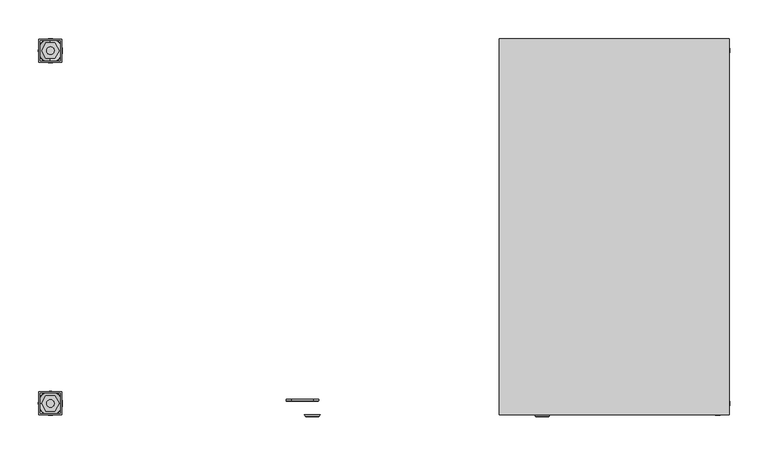
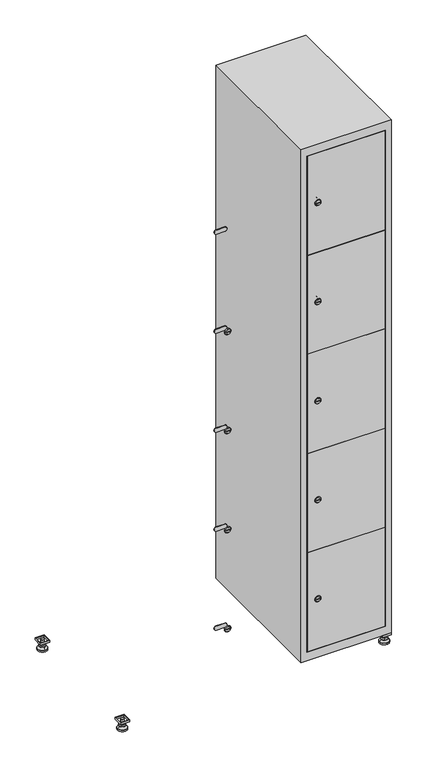
"""IFC4 building model written with IfcOpenShell, lengths in millimetres: furniture geometry."""

from ifc_helpers import new_model, si_unit, point, frame, frame_2d, origin, origin_with_axes, place, context, project, spatial, polyline, circle_curve, trimmed, segment, composite_curve, outline, extrude, faceted_brep, source, transform, mapped, element, save
from ifc_brep_helpers import plane_surface, revolved_surface, advanced_brep


def furniture_e8ccaeee(model_context):
    return source(origin(), model_context, "Body", "SolidModel", [
        extrude(outline(polyline([(700.0, 245.0), (700.0, 215.0), (670.0, 215.0), (670.0, 245.0), (700.0, 245.0)]), holes=[polyline([(698.0, 243.0), (672.0, 243.0), (672.0, 217.0), (698.0, 217.0), (698.0, 243.0)])]), frame((0.0, 0.0, 28.5), z_axis=(0.0, 0.0, 1.0), x_axis=(1.0, 0.0, 0.0)), (0.0, 0.0, 1.0), 6.5),
        extrude(outline(polyline([(670.0, -245.0), (670.0, -215.0), (700.0, -215.0), (700.0, -245.0), (670.0, -245.0)]), holes=[polyline([(672.0, -243.0), (698.0, -243.0), (698.0, -217.0), (672.0, -217.0), (672.0, -243.0)])]), frame((0.0, 0.0, 28.5), z_axis=(0.0, 0.0, 1.0), x_axis=(1.0, 0.0, 0.0)), (0.0, 0.0, 1.0), 6.5),
        extrude(outline(polyline([(-170.0, 245.0), (-170.0, 215.0), (-200.0, 215.0), (-200.0, 245.0), (-170.0, 245.0)]), holes=[polyline([(-172.0, 243.0), (-198.0, 243.0), (-198.0, 217.0), (-172.0, 217.0), (-172.0, 243.0)])]), frame((0.0, 0.0, 28.5), z_axis=(0.0, 0.0, 1.0), x_axis=(1.0, 0.0, 0.0)), (0.0, 0.0, 1.0), 6.5),
        extrude(outline(polyline([(-170.0, -215.0), (-170.0, -245.0), (-200.0, -245.0), (-200.0, -215.0), (-170.0, -215.0)]), holes=[polyline([(-198.0, -243.0), (-172.0, -243.0), (-172.0, -217.0), (-198.0, -217.0), (-198.0, -243.0)])]), frame((0.0, 0.0, 28.5), z_axis=(0.0, 0.0, 1.0), x_axis=(1.0, 0.0, 0.0)), (0.0, 0.0, 1.0), 6.5),
        extrude(outline(composite_curve([segment(trimmed(circle_curve(frame_2d((-185.0, 230.0)), 5.0), [point((-180.0, 230.0))], [point((-190.0, 230.0))], False, "CARTESIAN"), True, "CONTINUOUS"), segment(trimmed(circle_curve(frame_2d((-185.0, 230.0)), 5.0), [point((-190.0, 230.0))], [point((-180.0, 230.0))], False, "CARTESIAN"), True, "CONTINUOUS")], self_intersect=False)), frame((0.0, 0.0, 19.6), z_axis=(0.0, 0.0, 1.0), x_axis=(1.0, 0.0, 0.0)), (0.0, 0.0, 1.0), 15.4),
        extrude(outline(composite_curve([segment(trimmed(circle_curve(frame_2d((-185.0, -230.0)), 5.0), [point((-180.0, -230.0))], [point((-190.0, -230.0))], False, "CARTESIAN"), True, "CONTINUOUS"), segment(trimmed(circle_curve(frame_2d((-185.0, -230.0)), 5.0), [point((-190.0, -230.0))], [point((-180.0, -230.0))], False, "CARTESIAN"), True, "CONTINUOUS")], self_intersect=False)), frame((0.0, 0.0, 19.6), z_axis=(0.0, 0.0, 1.0), x_axis=(1.0, 0.0, 0.0)), (0.0, 0.0, 1.0), 15.4),
        extrude(outline(composite_curve([segment(trimmed(circle_curve(frame_2d((685.0, 230.0)), 5.0), [point((690.0, 230.0))], [point((680.0, 230.0))], False, "CARTESIAN"), True, "CONTINUOUS"), segment(trimmed(circle_curve(frame_2d((685.0, 230.0)), 5.0), [point((680.0, 230.0))], [point((690.0, 230.0))], False, "CARTESIAN"), True, "CONTINUOUS")], self_intersect=False)), frame((0.0, 0.0, 19.6), z_axis=(0.0, 0.0, 1.0), x_axis=(1.0, 0.0, 0.0)), (0.0, 0.0, 1.0), 15.4),
        extrude(outline(polyline([(673.4529946, 230.0), (679.2264973, 240.0), (690.7735027, 240.0), (696.5470054, 230.0), (690.7735027, 220.0), (679.2264973, 220.0), (673.4529946, 230.0)])), frame((0.0, 0.0, 13.6), z_axis=(0.0, 0.0, 1.0), x_axis=(1.0, 0.0, 0.0)), (0.0, 0.0, 1.0), 6.0),
        extrude(outline(composite_curve([segment(trimmed(circle_curve(frame_2d((685.0, -230.0)), 5.0), [point((690.0, -230.0))], [point((680.0, -230.0))], False, "CARTESIAN"), True, "CONTINUOUS"), segment(trimmed(circle_curve(frame_2d((685.0, -230.0)), 5.0), [point((680.0, -230.0))], [point((690.0, -230.0))], False, "CARTESIAN"), True, "CONTINUOUS")], self_intersect=False)), frame((0.0, 0.0, 19.6), z_axis=(0.0, 0.0, 1.0), x_axis=(1.0, 0.0, 0.0)), (0.0, 0.0, 1.0), 15.4),
        extrude(outline(polyline([(673.4529946, -230.0), (679.2264973, -220.0), (690.7735027, -220.0), (696.5470054, -230.0), (690.7735027, -240.0), (679.2264973, -240.0), (673.4529946, -230.0)])), frame((0.0, 0.0, 13.6), z_axis=(0.0, 0.0, 1.0), x_axis=(1.0, 0.0, 0.0)), (0.0, 0.0, 1.0), 6.0),
        extrude(outline(composite_curve([segment(trimmed(circle_curve(frame_2d((685.0, 230.0)), 5.0), [point((690.0, 230.0))], [point((680.0, 230.0))], False, "CARTESIAN"), True, "CONTINUOUS"), segment(trimmed(circle_curve(frame_2d((685.0, 230.0)), 5.0), [point((680.0, 230.0))], [point((690.0, 230.0))], False, "CARTESIAN"), True, "CONTINUOUS")], self_intersect=False)), frame((0.0, 0.0, 12.1), z_axis=(0.0, 0.0, 1.0), x_axis=(1.0, 0.0, 0.0)), (0.0, 0.0, 1.0), 1.5),
        extrude(outline(composite_curve([segment(trimmed(circle_curve(frame_2d((685.0, -230.0)), 5.0), [point((690.0, -230.0))], [point((680.0, -230.0))], False, "CARTESIAN"), True, "CONTINUOUS"), segment(trimmed(circle_curve(frame_2d((685.0, -230.0)), 5.0), [point((680.0, -230.0))], [point((690.0, -230.0))], False, "CARTESIAN"), True, "CONTINUOUS")], self_intersect=False)), frame((0.0, 0.0, 12.1), z_axis=(0.0, 0.0, 1.0), x_axis=(1.0, 0.0, 0.0)), (0.0, 0.0, 1.0), 1.5),
        extrude(outline(polyline([(-196.5470054, 230.0), (-190.7735027, 240.0), (-179.2264973, 240.0), (-173.4529946, 230.0), (-179.2264973, 220.0), (-190.7735027, 220.0), (-196.5470054, 230.0)])), frame((0.0, 0.0, 13.6), z_axis=(0.0, 0.0, 1.0), x_axis=(1.0, 0.0, 0.0)), (0.0, 0.0, 1.0), 6.0),
        extrude(outline(polyline([(-196.5470054, -230.0), (-190.7735027, -220.0), (-179.2264973, -220.0), (-173.4529946, -230.0), (-179.2264973, -240.0), (-190.7735027, -240.0), (-196.5470054, -230.0)])), frame((0.0, 0.0, 13.6), z_axis=(0.0, 0.0, 1.0), x_axis=(1.0, 0.0, 0.0)), (0.0, 0.0, 1.0), 6.0),
        extrude(outline(composite_curve([segment(trimmed(circle_curve(frame_2d((-185.0, 230.0)), 5.0), [point((-185.0, 235.0))], [point((-185.0, 225.0))], False, "CARTESIAN"), True, "CONTINUOUS"), segment(trimmed(circle_curve(frame_2d((-185.0, 230.0)), 5.0), [point((-185.0, 225.0))], [point((-185.0, 235.0))], False, "CARTESIAN"), True, "CONTINUOUS")], self_intersect=False)), frame((0.0, 0.0, 12.1), z_axis=(0.0, 0.0, 1.0), x_axis=(1.0, 0.0, 0.0)), (0.0, 0.0, 1.0), 1.5),
        extrude(outline(composite_curve([segment(trimmed(circle_curve(frame_2d((-185.0, -230.0)), 5.0), [point((-180.0, -230.0))], [point((-190.0, -230.0))], False, "CARTESIAN"), True, "CONTINUOUS"), segment(trimmed(circle_curve(frame_2d((-185.0, -230.0)), 5.0), [point((-190.0, -230.0))], [point((-180.0, -230.0))], False, "CARTESIAN"), True, "CONTINUOUS")], self_intersect=False)), frame((0.0, 0.0, 12.1), z_axis=(0.0, 0.0, 1.0), x_axis=(1.0, 0.0, 0.0)), (0.0, 0.0, 1.0), 1.5),
        extrude(outline(composite_curve([segment(trimmed(circle_curve(frame_2d((685.0, 230.0)), 15.75), [point((700.75, 230.0))], [point((669.25, 230.0))], False, "CARTESIAN"), True, "CONTINUOUS"), segment(trimmed(circle_curve(frame_2d((685.0, 230.0)), 15.75), [point((669.25, 230.0))], [point((700.75, 230.0))], False, "CARTESIAN"), True, "CONTINUOUS")], self_intersect=False)), origin_with_axes(), (0.0, 0.0, 1.0), 5.1),
        extrude(outline(composite_curve([segment(trimmed(circle_curve(frame_2d((685.0, -230.0)), 15.75), [point((685.0, -214.25))], [point((685.0, -245.75))], False, "CARTESIAN"), True, "CONTINUOUS"), segment(trimmed(circle_curve(frame_2d((685.0, -230.0)), 15.75), [point((685.0, -245.75))], [point((685.0, -214.25))], False, "CARTESIAN"), True, "CONTINUOUS")], self_intersect=False)), origin_with_axes(), (0.0, 0.0, 1.0), 5.1),
        extrude(outline(composite_curve([segment(trimmed(circle_curve(frame_2d((-185.0, -230.0)), 15.75), [point((-169.25, -230.0))], [point((-200.75, -230.0))], False, "CARTESIAN"), True, "CONTINUOUS"), segment(trimmed(circle_curve(frame_2d((-185.0, -230.0)), 15.75), [point((-200.75, -230.0))], [point((-169.25, -230.0))], False, "CARTESIAN"), True, "CONTINUOUS")], self_intersect=False)), origin_with_axes(), (0.0, 0.0, 1.0), 5.1),
        extrude(outline(composite_curve([segment(trimmed(circle_curve(frame_2d((-185.0, 230.0)), 15.75), [point((-169.25, 230.0))], [point((-200.75, 230.0))], False, "CARTESIAN"), True, "CONTINUOUS"), segment(trimmed(circle_curve(frame_2d((-185.0, 230.0)), 15.75), [point((-200.75, 230.0))], [point((-169.25, 230.0))], False, "CARTESIAN"), True, "CONTINUOUS")], self_intersect=False)), origin_with_axes(), (0.0, 0.0, 1.0), 5.1),
        advanced_brep(
        [(-185.0, 245.75, 5.1), (-185.0, 214.25, 5.1), (-185.0, 239.5, 12.1), (-185.0, 220.5, 12.1)],
        [
            (0, 1, circle_curve(frame((-185.0, 230.0, 5.1), z_axis=(0.0, 0.0, -1.0), x_axis=(0.0, 1.0, 0.0)), 15.75)),
            (1, 0, circle_curve(frame((-185.0, 230.0, 5.1), z_axis=(0.0, 0.0, -1.0), x_axis=(0.0, -1.0, 0.0)), 15.75)),
            (2, 3, circle_curve(frame((-185.0, 230.0, 12.1), z_axis=(0.0, 0.0, 1.0), x_axis=(0.0, -1.0, 0.0)), 9.5)),
            (3, 2, circle_curve(frame((-185.0, 230.0, 12.1), z_axis=(0.0, 0.0, 1.0), x_axis=(0.0, 1.0, 0.0)), 9.5)),
            (3, 1),
            (0, 2),
        ],
        [
            plane_surface(frame((-185.0, 230.0, 5.1), z_axis=(0.0, 0.0, -1.0), x_axis=(1.0, 0.0, 0.0))),
            plane_surface(frame((-185.0, 230.0, 12.1), z_axis=(0.0, 0.0, 1.0), x_axis=(1.0, 0.0, 0.0))),
            revolved_surface(polyline([(-185.0, 220.5, 12.099999999999998), (-185.0, 214.25, 5.099999999999998)]), (-185.0, 230.0, 22.74), (0.0, 0.0, -1.0)),
            revolved_surface(polyline([(-185.0, 239.5, 12.099999999999998), (-185.0, 245.75, 5.099999999999998)]), (-185.0, 230.0, 22.74), (0.0, 0.0, -1.0)),
        ],
        [
            (0, [[1, 2]]),
            (1, [[3, 4]]),
            (2, [[-4, 5, -1, 6]]),
            (3, [[-3, -6, -2, -5]]),
        ],
    ),
        advanced_brep(
        [(685.0, 245.75, 5.1), (685.0, 214.25, 5.1), (685.0, 239.5, 12.1), (685.0, 220.5, 12.1)],
        [
            (0, 1, circle_curve(frame((685.0, 230.0, 5.1), z_axis=(0.0, 0.0, -1.0), x_axis=(0.0, 1.0, 0.0)), 15.75)),
            (1, 0, circle_curve(frame((685.0, 230.0, 5.1), z_axis=(0.0, 0.0, -1.0), x_axis=(0.0, -1.0, 0.0)), 15.75)),
            (2, 3, circle_curve(frame((685.0, 230.0, 12.1), z_axis=(0.0, 0.0, 1.0), x_axis=(0.0, -1.0, 0.0)), 9.5)),
            (3, 2, circle_curve(frame((685.0, 230.0, 12.1), z_axis=(0.0, 0.0, 1.0), x_axis=(0.0, 1.0, 0.0)), 9.5)),
            (3, 1),
            (0, 2),
        ],
        [
            plane_surface(frame((685.0, 230.0, 5.1), z_axis=(0.0, 0.0, -1.0), x_axis=(1.0, 0.0, 0.0))),
            plane_surface(frame((685.0, 230.0, 12.1), z_axis=(0.0, 0.0, 1.0), x_axis=(1.0, 0.0, 0.0))),
            revolved_surface(polyline([(685.0, 220.5, 12.099999999999998), (685.0, 214.25, 5.099999999999998)]), (685.0, 230.0, 22.74), (0.0, 0.0, -1.0)),
            revolved_surface(polyline([(685.0, 239.5, 12.099999999999998), (685.0, 245.75, 5.099999999999998)]), (685.0, 230.0, 22.74), (0.0, 0.0, -1.0)),
        ],
        [
            (0, [[1, 2]]),
            (1, [[3, 4]]),
            (2, [[-4, 5, -1, 6]]),
            (3, [[-3, -6, -2, -5]]),
        ],
    ),
        advanced_brep(
        [(694.5, -230.0, 12.1), (675.5, -230.0, 12.1), (700.75, -230.0, 5.1), (669.25, -230.0, 5.1)],
        [
            (0, 1, circle_curve(frame((685.0, -230.0, 12.1), z_axis=(0.0, 0.0, 1.0), x_axis=(1.0, 0.0, 0.0)), 9.5)),
            (1, 0, circle_curve(frame((685.0, -230.0, 12.1), z_axis=(0.0, 0.0, 1.0), x_axis=(-1.0, 0.0, 0.0)), 9.5)),
            (2, 3, circle_curve(frame((685.0, -230.0, 5.1), z_axis=(0.0, 0.0, -1.0), x_axis=(-1.0, 0.0, 0.0)), 15.75)),
            (3, 2, circle_curve(frame((685.0, -230.0, 5.1), z_axis=(0.0, 0.0, -1.0), x_axis=(1.0, 0.0, 0.0)), 15.75)),
            (3, 1),
            (0, 2),
        ],
        [
            plane_surface(frame((685.0, -230.0, 12.1), z_axis=(0.0, 0.0, 1.0), x_axis=(0.0, 1.0, 0.0))),
            plane_surface(frame((685.0, -230.0, 5.1), z_axis=(0.0, 0.0, -1.0), x_axis=(0.0, 1.0, 0.0))),
            revolved_surface(polyline([(694.5, -230.0, 12.099999999999998), (700.75, -230.0, 5.099999999999998)]), (685.0, -230.0, 22.74), (0.0, 0.0, -1.0)),
            revolved_surface(polyline([(675.5, -230.0, 12.099999999999998), (669.25, -230.0, 5.099999999999998)]), (685.0, -230.0, 22.74), (0.0, 0.0, -1.0)),
        ],
        [
            (0, [[1, 2]]),
            (1, [[3, 4]]),
            (2, [[-4, 5, -1, 6]]),
            (3, [[-3, -6, -2, -5]]),
        ],
    ),
        advanced_brep(
        [(-175.5, -230.0, 12.1), (-194.5, -230.0, 12.1), (-169.25, -230.0, 5.1), (-200.75, -230.0, 5.1)],
        [
            (0, 1, circle_curve(frame((-185.0, -230.0, 12.1), z_axis=(0.0, 0.0, 1.0), x_axis=(1.0, 0.0, 0.0)), 9.5)),
            (1, 0, circle_curve(frame((-185.0, -230.0, 12.1), z_axis=(0.0, 0.0, 1.0), x_axis=(-1.0, 0.0, 0.0)), 9.5)),
            (2, 3, circle_curve(frame((-185.0, -230.0, 5.1), z_axis=(0.0, 0.0, -1.0), x_axis=(-1.0, 0.0, 0.0)), 15.75)),
            (3, 2, circle_curve(frame((-185.0, -230.0, 5.1), z_axis=(0.0, 0.0, -1.0), x_axis=(1.0, 0.0, 0.0)), 15.75)),
            (3, 1),
            (0, 2),
        ],
        [
            plane_surface(frame((-185.0, -230.0, 12.1), z_axis=(0.0, 0.0, 1.0), x_axis=(0.0, 1.0, 0.0))),
            plane_surface(frame((-185.0, -230.0, 5.1), z_axis=(0.0, 0.0, -1.0), x_axis=(0.0, 1.0, 0.0))),
            revolved_surface(polyline([(-175.5, -230.0, 12.099999999999998), (-169.25, -230.0, 5.099999999999998)]), (-185.0, -230.0, 22.74), (0.0, 0.0, -1.0)),
            revolved_surface(polyline([(-194.5, -230.0, 12.099999999999998), (-200.75, -230.0, 5.099999999999998)]), (-185.0, -230.0, 22.74), (0.0, 0.0, -1.0)),
        ],
        [
            (0, [[1, 2]]),
            (1, [[3, 4]]),
            (2, [[-4, 5, -1, 6]]),
            (3, [[-3, -6, -2, -5]]),
        ],
    ),
        extrude(outline(composite_curve([segment(trimmed(circle_curve(frame_2d((239.96, 429.6010534)), 7.0), [point((246.96, 429.6010534))], [point((232.96, 429.6010534))], False, "CARTESIAN"), True, "CONTINUOUS"), segment(polyline([(232.96, 429.6010534), (232.96, 457.6010534)]), True, "CONTINUOUS"), segment(trimmed(circle_curve(frame_2d((239.96, 457.6010534)), 7.0), [point((232.96, 457.6010534))], [point((246.96, 457.6010534))], False, "CARTESIAN"), True, "CONTINUOUS"), segment(polyline([(246.96, 457.6010534), (246.96, 429.6010534)]), True, "CONTINUOUS")], self_intersect=False)), frame((0.0, -227.0, 0.0), z_axis=(0.0, 1.0, 0.0), x_axis=(0.0, 0.0, 1.0)), (0.0, 0.0, 1.0), 2.0),
        advanced_brep(
        [(464.9, -247.2, 239.96), (447.9, -247.2, 239.96), (451.4, -247.2, 238.71), (451.4, -247.2, 241.21), (461.4, -247.2, 241.21), (461.4, -247.2, 238.71), (466.9, -245.0, 239.96), (445.9, -245.0, 239.96), (451.4, -245.0, 241.21), (451.4, -245.0, 238.71), (461.4, -245.0, 238.71), (461.4, -245.0, 241.21)],
        [
            (0, 1, circle_curve(frame((456.4, -247.2, 239.96), z_axis=(0.0, -1.0, 0.0), x_axis=(1.0, 0.0, 0.0)), 8.5)),
            (1, 0, circle_curve(frame((456.4, -247.2, 239.96), z_axis=(0.0, -1.0, 0.0), x_axis=(-1.0, 0.0, 0.0)), 8.5)),
            (2, 3),
            (3, 4),
            (4, 5),
            (5, 2),
            (6, 7, circle_curve(frame((456.4, -245.0, 239.96), z_axis=(0.0, 1.0, 0.0), x_axis=(-1.0, 0.0, 0.0)), 10.5)),
            (7, 6, circle_curve(frame((456.4, -245.0, 239.96), z_axis=(0.0, 1.0, 0.0), x_axis=(1.0, 0.0, 0.0)), 10.5)),
            (8, 9),
            (9, 10),
            (10, 11),
            (11, 8),
            (0, 6),
            (7, 1),
            (8, 3),
            (2, 9),
            (11, 4),
            (10, 5),
        ],
        [
            plane_surface(frame((456.4, -247.2, 239.96), z_axis=(0.0, -1.0, 0.0), x_axis=(0.0, 0.0, 1.0))),
            plane_surface(frame((456.4, -245.0, 239.96), z_axis=(0.0, 1.0, 0.0), x_axis=(0.0, 0.0, 1.0))),
            revolved_surface(polyline([(464.9, -247.2, 239.96), (466.9, -245.0, 239.96)]), (456.4, -256.55, 239.96), (0.0, 1.0, 0.0)),
            revolved_surface(polyline([(447.9, -247.2, 239.96), (445.9, -245.0, 239.96)]), (456.4, -256.55, 239.96), (0.0, 1.0, 0.0)),
            plane_surface(frame((451.4, -245.0, 238.71), z_axis=(1.0, 0.0, 0.0), x_axis=(0.0, -1.0, 0.0))),
            plane_surface(frame((451.4, -245.0, 241.21), z_axis=(0.0, 0.0, -1.0), x_axis=(0.0, -1.0, 0.0))),
            plane_surface(frame((461.4, -245.0, 241.21), z_axis=(-1.0, 0.0, 0.0), x_axis=(0.0, -1.0, 0.0))),
            plane_surface(frame((461.4, -245.0, 238.71), z_axis=(0.0, 0.0, 1.0), x_axis=(0.0, -1.0, 0.0))),
        ],
        [
            (0, [[1, 2], [3, 4, 5, 6]]),
            (1, [[7, 8], [9, 10, 11, 12]]),
            (2, [[-1, 13, -8, 14]]),
            (3, [[-2, -14, -7, -13]]),
            (4, [[15, -3, 16, -9]]),
            (5, [[-15, -12, 17, -4]]),
            (6, [[-17, -11, 18, -5]]),
            (7, [[-16, -6, -18, -10]]),
        ],
    ),
        extrude(outline(composite_curve([segment(trimmed(circle_curve(frame_2d((587.48, 429.6010534)), 7.0), [point((594.48, 429.6010534))], [point((580.48, 429.6010534))], False, "CARTESIAN"), True, "CONTINUOUS"), segment(polyline([(580.48, 429.6010534), (580.48, 457.6010534)]), True, "CONTINUOUS"), segment(trimmed(circle_curve(frame_2d((587.48, 457.6010534)), 7.0), [point((580.48, 457.6010534))], [point((594.48, 457.6010534))], False, "CARTESIAN"), True, "CONTINUOUS"), segment(polyline([(594.48, 457.6010534), (594.48, 429.6010534)]), True, "CONTINUOUS")], self_intersect=False)), frame((0.0, -227.0, 0.0), z_axis=(0.0, 1.0, 0.0), x_axis=(0.0, 0.0, 1.0)), (0.0, 0.0, 1.0), 2.0),
        advanced_brep(
        [(464.9, -247.2, 587.48), (447.9, -247.2, 587.48), (451.4, -247.2, 586.23), (451.4, -247.2, 588.73), (461.4, -247.2, 588.73), (461.4, -247.2, 586.23), (466.9, -245.0, 587.48), (445.9, -245.0, 587.48), (451.4, -245.0, 588.73), (451.4, -245.0, 586.23), (461.4, -245.0, 586.23), (461.4, -245.0, 588.73)],
        [
            (0, 1, circle_curve(frame((456.4, -247.2, 587.48), z_axis=(0.0, -1.0, 0.0), x_axis=(1.0, 0.0, 0.0)), 8.5)),
            (1, 0, circle_curve(frame((456.4, -247.2, 587.48), z_axis=(0.0, -1.0, 0.0), x_axis=(-1.0, 0.0, 0.0)), 8.5)),
            (2, 3),
            (3, 4),
            (4, 5),
            (5, 2),
            (6, 7, circle_curve(frame((456.4, -245.0, 587.48), z_axis=(0.0, 1.0, 0.0), x_axis=(-1.0, 0.0, 0.0)), 10.5)),
            (7, 6, circle_curve(frame((456.4, -245.0, 587.48), z_axis=(0.0, 1.0, 0.0), x_axis=(1.0, 0.0, 0.0)), 10.5)),
            (8, 9),
            (9, 10),
            (10, 11),
            (11, 8),
            (0, 6),
            (7, 1),
            (8, 3),
            (2, 9),
            (11, 4),
            (10, 5),
        ],
        [
            plane_surface(frame((456.4, -247.2, 587.48), z_axis=(0.0, -1.0, 0.0), x_axis=(0.0, 0.0, 1.0))),
            plane_surface(frame((456.4, -245.0, 587.48), z_axis=(0.0, 1.0, 0.0), x_axis=(0.0, 0.0, 1.0))),
            revolved_surface(polyline([(464.9, -247.2, 587.48), (466.9, -245.0, 587.48)]), (456.4, -256.55, 587.48), (0.0, 1.0, 0.0)),
            revolved_surface(polyline([(447.9, -247.2, 587.48), (445.9, -245.0, 587.48)]), (456.4, -256.55, 587.48), (0.0, 1.0, 0.0)),
            plane_surface(frame((451.4, -245.0, 586.23), z_axis=(1.0, 0.0, 0.0), x_axis=(0.0, -1.0, 0.0))),
            plane_surface(frame((451.4, -245.0, 588.73), z_axis=(0.0, 0.0, -1.0), x_axis=(0.0, -1.0, 0.0))),
            plane_surface(frame((461.4, -245.0, 588.73), z_axis=(-1.0, 0.0, 0.0), x_axis=(0.0, -1.0, 0.0))),
            plane_surface(frame((461.4, -245.0, 586.23), z_axis=(0.0, 0.0, 1.0), x_axis=(0.0, -1.0, 0.0))),
        ],
        [
            (0, [[1, 2], [3, 4, 5, 6]]),
            (1, [[7, 8], [9, 10, 11, 12]]),
            (2, [[-1, 13, -8, 14]]),
            (3, [[-2, -14, -7, -13]]),
            (4, [[15, -3, 16, -9]]),
            (5, [[-15, -12, 17, -4]]),
            (6, [[-17, -11, 18, -5]]),
            (7, [[-16, -6, -18, -10]]),
        ],
    ),
        extrude(outline(composite_curve([segment(trimmed(circle_curve(frame_2d((935.0, 429.6010534)), 7.0), [point((942.0, 429.6010534))], [point((928.0, 429.6010534))], False, "CARTESIAN"), True, "CONTINUOUS"), segment(polyline([(928.0, 429.6010534), (928.0, 457.6010534)]), True, "CONTINUOUS"), segment(trimmed(circle_curve(frame_2d((935.0, 457.6010534)), 7.0), [point((928.0, 457.6010534))], [point((942.0, 457.6010534))], False, "CARTESIAN"), True, "CONTINUOUS"), segment(polyline([(942.0, 457.6010534), (942.0, 429.6010534)]), True, "CONTINUOUS")], self_intersect=False)), frame((0.0, -227.0, 0.0), z_axis=(0.0, 1.0, 0.0), x_axis=(0.0, 0.0, 1.0)), (0.0, 0.0, 1.0), 2.0),
        advanced_brep(
        [(464.9, -247.2, 935.0), (447.9, -247.2, 935.0), (451.4, -247.2, 933.75), (451.4, -247.2, 936.25), (461.4, -247.2, 936.25), (461.4, -247.2, 933.75), (466.9, -245.0, 935.0), (445.9, -245.0, 935.0), (451.4, -245.0, 936.25), (451.4, -245.0, 933.75), (461.4, -245.0, 933.75), (461.4, -245.0, 936.25)],
        [
            (0, 1, circle_curve(frame((456.4, -247.2, 935.0), z_axis=(0.0, -1.0, 0.0), x_axis=(1.0, 0.0, 0.0)), 8.5)),
            (1, 0, circle_curve(frame((456.4, -247.2, 935.0), z_axis=(0.0, -1.0, 0.0), x_axis=(-1.0, 0.0, 0.0)), 8.5)),
            (2, 3),
            (3, 4),
            (4, 5),
            (5, 2),
            (6, 7, circle_curve(frame((456.4, -245.0, 935.0), z_axis=(0.0, 1.0, 0.0), x_axis=(-1.0, 0.0, 0.0)), 10.5)),
            (7, 6, circle_curve(frame((456.4, -245.0, 935.0), z_axis=(0.0, 1.0, 0.0), x_axis=(1.0, 0.0, 0.0)), 10.5)),
            (8, 9),
            (9, 10),
            (10, 11),
            (11, 8),
            (0, 6),
            (7, 1),
            (8, 3),
            (2, 9),
            (11, 4),
            (10, 5),
        ],
        [
            plane_surface(frame((456.4, -247.2, 935.0), z_axis=(0.0, -1.0, 0.0), x_axis=(0.0, 0.0, 1.0))),
            plane_surface(frame((456.4, -245.0, 935.0), z_axis=(0.0, 1.0, 0.0), x_axis=(0.0, 0.0, 1.0))),
            revolved_surface(polyline([(464.9, -247.2, 935.0), (466.9, -245.0, 935.0)]), (456.4, -256.55, 935.0), (0.0, 1.0, 0.0)),
            revolved_surface(polyline([(447.9, -247.2, 935.0), (445.9, -245.0, 935.0)]), (456.4, -256.55, 935.0), (0.0, 1.0, 0.0)),
            plane_surface(frame((451.4, -245.0, 933.75), z_axis=(1.0, 0.0, 0.0), x_axis=(0.0, -1.0, 0.0))),
            plane_surface(frame((451.4, -245.0, 936.25), z_axis=(0.0, 0.0, -1.0), x_axis=(0.0, -1.0, 0.0))),
            plane_surface(frame((461.4, -245.0, 936.25), z_axis=(-1.0, 0.0, 0.0), x_axis=(0.0, -1.0, 0.0))),
            plane_surface(frame((461.4, -245.0, 933.75), z_axis=(0.0, 0.0, 1.0), x_axis=(0.0, -1.0, 0.0))),
        ],
        [
            (0, [[1, 2], [3, 4, 5, 6]]),
            (1, [[7, 8], [9, 10, 11, 12]]),
            (2, [[-1, 13, -8, 14]]),
            (3, [[-2, -14, -7, -13]]),
            (4, [[15, -3, 16, -9]]),
            (5, [[-15, -12, 17, -4]]),
            (6, [[-17, -11, 18, -5]]),
            (7, [[-16, -6, -18, -10]]),
        ],
    ),
        extrude(outline(composite_curve([segment(trimmed(circle_curve(frame_2d((1282.52, 429.6010534)), 7.0), [point((1289.52, 429.6010534))], [point((1275.52, 429.6010534))], False, "CARTESIAN"), True, "CONTINUOUS"), segment(polyline([(1275.52, 429.6010534), (1275.52, 457.6010534)]), True, "CONTINUOUS"), segment(trimmed(circle_curve(frame_2d((1282.52, 457.6010534)), 7.0), [point((1275.52, 457.6010534))], [point((1289.52, 457.6010534))], False, "CARTESIAN"), True, "CONTINUOUS"), segment(polyline([(1289.52, 457.6010534), (1289.52, 429.6010534)]), True, "CONTINUOUS")], self_intersect=False)), frame((0.0, -227.0, 0.0), z_axis=(0.0, 1.0, 0.0), x_axis=(0.0, 0.0, 1.0)), (0.0, 0.0, 1.0), 2.0),
        advanced_brep(
        [(464.9, -247.2, 1282.52), (447.9, -247.2, 1282.52), (451.4, -247.2, 1281.27), (451.4, -247.2, 1283.77), (461.4, -247.2, 1283.77), (461.4, -247.2, 1281.27), (466.9, -245.0, 1282.52), (445.9, -245.0, 1282.52), (451.4, -245.0, 1283.77), (451.4, -245.0, 1281.27), (461.4, -245.0, 1281.27), (461.4, -245.0, 1283.77)],
        [
            (0, 1, circle_curve(frame((456.4, -247.2, 1282.52), z_axis=(0.0, -1.0, 0.0), x_axis=(1.0, 0.0, 0.0)), 8.5)),
            (1, 0, circle_curve(frame((456.4, -247.2, 1282.52), z_axis=(0.0, -1.0, 0.0), x_axis=(-1.0, 0.0, 0.0)), 8.5)),
            (2, 3),
            (3, 4),
            (4, 5),
            (5, 2),
            (6, 7, circle_curve(frame((456.4, -245.0, 1282.52), z_axis=(0.0, 1.0, 0.0), x_axis=(-1.0, 0.0, 0.0)), 10.5)),
            (7, 6, circle_curve(frame((456.4, -245.0, 1282.52), z_axis=(0.0, 1.0, 0.0), x_axis=(1.0, 0.0, 0.0)), 10.5)),
            (8, 9),
            (9, 10),
            (10, 11),
            (11, 8),
            (0, 6),
            (7, 1),
            (8, 3),
            (2, 9),
            (11, 4),
            (10, 5),
        ],
        [
            plane_surface(frame((456.4, -247.2, 1282.52), z_axis=(0.0, -1.0, 0.0), x_axis=(0.0, 0.0, 1.0))),
            plane_surface(frame((456.4, -245.0, 1282.52), z_axis=(0.0, 1.0, 0.0), x_axis=(0.0, 0.0, 1.0))),
            revolved_surface(polyline([(464.9, -247.2, 1282.52), (466.9, -245.0, 1282.52)]), (456.4, -256.55, 1282.52), (0.0, 1.0, 0.0)),
            revolved_surface(polyline([(447.9, -247.2, 1282.52), (445.9, -245.0, 1282.52)]), (456.4, -256.55, 1282.52), (0.0, 1.0, 0.0)),
            plane_surface(frame((451.4, -245.0, 1281.27), z_axis=(1.0, 0.0, 0.0), x_axis=(0.0, -1.0, 0.0))),
            plane_surface(frame((451.4, -245.0, 1283.77), z_axis=(0.0, 0.0, -1.0), x_axis=(0.0, -1.0, 0.0))),
            plane_surface(frame((461.4, -245.0, 1283.77), z_axis=(-1.0, 0.0, 0.0), x_axis=(0.0, -1.0, 0.0))),
            plane_surface(frame((461.4, -245.0, 1281.27), z_axis=(0.0, 0.0, 1.0), x_axis=(0.0, -1.0, 0.0))),
        ],
        [
            (0, [[1, 2], [3, 4, 5, 6]]),
            (1, [[7, 8], [9, 10, 11, 12]]),
            (2, [[-1, 13, -8, 14]]),
            (3, [[-2, -14, -7, -13]]),
            (4, [[15, -3, 16, -9]]),
            (5, [[-15, -12, 17, -4]]),
            (6, [[-17, -11, 18, -5]]),
            (7, [[-16, -6, -18, -10]]),
        ],
    ),
        extrude(outline(composite_curve([segment(trimmed(circle_curve(frame_2d((1630.04, 429.6010534)), 7.0), [point((1637.04, 429.6010534))], [point((1623.04, 429.6010534))], False, "CARTESIAN"), True, "CONTINUOUS"), segment(polyline([(1623.04, 429.6010534), (1623.04, 457.6010534)]), True, "CONTINUOUS"), segment(trimmed(circle_curve(frame_2d((1630.04, 457.6010534)), 7.0), [point((1623.04, 457.6010534))], [point((1637.04, 457.6010534))], False, "CARTESIAN"), True, "CONTINUOUS"), segment(polyline([(1637.04, 457.6010534), (1637.04, 429.6010534)]), True, "CONTINUOUS")], self_intersect=False)), frame((0.0, -227.0, 0.0), z_axis=(0.0, 1.0, 0.0), x_axis=(0.0, 0.0, 1.0)), (0.0, 0.0, 1.0), 2.0),
        advanced_brep(
        [(464.9, -247.2, 1630.04), (447.9, -247.2, 1630.04), (451.4, -247.2, 1628.79), (451.4, -247.2, 1631.29), (461.4, -247.2, 1631.29), (461.4, -247.2, 1628.79), (466.9, -245.0, 1630.04), (445.9, -245.0, 1630.04), (451.4, -245.0, 1631.29), (451.4, -245.0, 1628.79), (461.4, -245.0, 1628.79), (461.4, -245.0, 1631.29)],
        [
            (0, 1, circle_curve(frame((456.4, -247.2, 1630.04), z_axis=(0.0, -1.0, 0.0), x_axis=(1.0, 0.0, 0.0)), 8.5)),
            (1, 0, circle_curve(frame((456.4, -247.2, 1630.04), z_axis=(0.0, -1.0, 0.0), x_axis=(-1.0, 0.0, 0.0)), 8.5)),
            (2, 3),
            (3, 4),
            (4, 5),
            (5, 2),
            (6, 7, circle_curve(frame((456.4, -245.0, 1630.04), z_axis=(0.0, 1.0, 0.0), x_axis=(-1.0, 0.0, 0.0)), 10.5)),
            (7, 6, circle_curve(frame((456.4, -245.0, 1630.04), z_axis=(0.0, 1.0, 0.0), x_axis=(1.0, 0.0, 0.0)), 10.5)),
            (8, 9),
            (9, 10),
            (10, 11),
            (11, 8),
            (0, 6),
            (7, 1),
            (8, 3),
            (2, 9),
            (11, 4),
            (10, 5),
        ],
        [
            plane_surface(frame((456.4, -247.2, 1630.04), z_axis=(0.0, -1.0, 0.0), x_axis=(0.0, 0.0, 1.0))),
            plane_surface(frame((456.4, -245.0, 1630.04), z_axis=(0.0, 1.0, 0.0), x_axis=(0.0, 0.0, 1.0))),
            revolved_surface(polyline([(464.9, -247.2, 1630.04), (466.9, -245.0, 1630.04)]), (456.4, -256.55, 1630.04), (0.0, 1.0, 0.0)),
            revolved_surface(polyline([(447.9, -247.2, 1630.04), (445.9, -245.0, 1630.04)]), (456.4, -256.55, 1630.04), (0.0, 1.0, 0.0)),
            plane_surface(frame((451.4, -245.0, 1628.79), z_axis=(1.0, 0.0, 0.0), x_axis=(0.0, -1.0, 0.0))),
            plane_surface(frame((451.4, -245.0, 1631.29), z_axis=(0.0, 0.0, -1.0), x_axis=(0.0, -1.0, 0.0))),
            plane_surface(frame((461.4, -245.0, 1631.29), z_axis=(-1.0, 0.0, 0.0), x_axis=(0.0, -1.0, 0.0))),
            plane_surface(frame((461.4, -245.0, 1628.79), z_axis=(0.0, 0.0, 1.0), x_axis=(0.0, -1.0, 0.0))),
        ],
        [
            (0, [[1, 2], [3, 4, 5, 6]]),
            (1, [[7, 8], [9, 10, 11, 12]]),
            (2, [[-1, 13, -8, 14]]),
            (3, [[-2, -14, -7, -13]]),
            (4, [[15, -3, 16, -9]]),
            (5, [[-15, -12, 17, -4]]),
            (6, [[-17, -11, 18, -5]]),
            (7, [[-16, -6, -18, -10]]),
        ],
    ),
        extrude(outline(polyline([(678.6, -227.0), (678.6, -245.0), (421.4, -245.0), (421.4, -227.0), (678.6, -227.0)])), frame((0.0, 0.0, 760.74), z_axis=(0.0, 0.0, 1.0), x_axis=(1.0, 0.0, 0.0)), (0.0, 0.0, 1.0), 348.52),
        extrude(outline(polyline([(678.6, -227.0), (678.6, -245.0), (421.4, -245.0), (421.4, -227.0), (678.6, -227.0)])), frame((0.0, 0.0, 413.22), z_axis=(0.0, 0.0, 1.0), x_axis=(1.0, 0.0, 0.0)), (0.0, 0.0, 1.0), 348.52),
        extrude(outline(polyline([(678.6, -227.0), (678.6, -245.0), (421.4, -245.0), (421.4, -227.0), (678.6, -227.0)])), frame((0.0, 0.0, 1108.26), z_axis=(0.0, 0.0, 1.0), x_axis=(1.0, 0.0, 0.0)), (0.0, 0.0, 1.0), 347.52),
        extrude(outline(polyline([(421.4, -245.0), (421.4, -227.0), (678.6, -227.0), (678.6, -245.0), (421.4, -245.0)])), frame((0.0, 0.0, 1456.78), z_axis=(0.0, 0.0, 1.0), x_axis=(1.0, 0.0, 0.0)), (0.0, 0.0, 1.0), 347.02),
        extrude(outline(polyline([(678.6, -227.0), (678.6, -245.0), (421.4, -245.0), (421.4, -227.0), (678.6, -227.0)])), frame((0.0, 0.0, 66.2), z_axis=(0.0, 0.0, 1.0), x_axis=(1.0, 0.0, 0.0)), (0.0, 0.0, 1.0), 348.02),
        extrude(outline(polyline([(679.6, 242.0), (679.6, -227.0), (420.4, -227.0), (420.4, 242.0), (679.6, 242.0)])), frame((0.0, 0.0, 1446.68), z_axis=(0.0, 0.0, 1.0), x_axis=(1.0, 0.0, 0.0)), (0.0, 0.0, 1.0), 20.4),
        extrude(outline(polyline([(679.6, 242.0), (679.6, -227.0), (420.4, -227.0), (420.4, 242.0), (679.6, 242.0)])), frame((0.0, 0.0, 1098.76), z_axis=(0.0, 0.0, 1.0), x_axis=(1.0, 0.0, 0.0)), (0.0, 0.0, 1.0), 20.4),
        extrude(outline(polyline([(679.6, 242.0), (679.6, -227.0), (420.4, -227.0), (420.4, 242.0), (679.6, 242.0)])), frame((0.0, 0.0, 750.84), z_axis=(0.0, 0.0, 1.0), x_axis=(1.0, 0.0, 0.0)), (0.0, 0.0, 1.0), 20.4),
        extrude(outline(polyline([(420.4, 242.0), (679.6, 242.0), (679.6, -227.0), (420.4, -227.0), (420.4, 242.0)])), frame((0.0, 0.0, 402.92), z_axis=(0.0, 0.0, 1.0), x_axis=(1.0, 0.0, 0.0)), (0.0, 0.0, 1.0), 20.4),
        faceted_brep([(700.0, -245.0, 35.0), (700.0, -245.0, 1835.0), (400.0, -245.0, 1835.0), (400.0, -245.0, 35.0), (679.6, -245.0, 1804.8), (679.6, -245.0, 65.2), (420.4, -245.0, 65.2), (420.4, -245.0, 1804.8), (700.0, 245.0, 35.0), (400.0, 245.0, 35.0), (700.0, 245.0, 1835.0), (400.0, 245.0, 1835.0), (679.6, 242.0, 1804.8), (679.6, 242.0, 65.2), (400.0, 245.0, 1804.8), (420.4, 242.0, 1804.8), (420.4, 242.0, 65.2)], [[[0, 1, 2, 3], [4, 5, 6, 7]], [[8, 0, 3, 9]], [[1, 0, 8, 10]], [[1, 10, 11, 2]], [[4, 12, 13, 5]], [[9, 3, 2, 11, 14]], [[10, 8, 9, 14, 11]], [[12, 15, 16, 13]], [[15, 7, 6, 16]], [[4, 7, 15, 12]], [[6, 5, 13, 16]]]),
        extrude(outline(composite_curve([segment(trimmed(circle_curve(frame_2d((239.96, 129.6010534)), 7.0), [point((246.96, 129.6010534))], [point((232.96, 129.6010534))], False, "CARTESIAN"), True, "CONTINUOUS"), segment(polyline([(232.96, 129.6010534), (232.96, 157.6010534)]), True, "CONTINUOUS"), segment(trimmed(circle_curve(frame_2d((239.96, 157.6010534)), 7.0), [point((232.96, 157.6010534))], [point((246.96, 157.6010534))], False, "CARTESIAN"), True, "CONTINUOUS"), segment(polyline([(246.96, 157.6010534), (246.96, 129.6010534)]), True, "CONTINUOUS")], self_intersect=False)), frame((0.0, -227.0, 0.0), z_axis=(0.0, 1.0, 0.0), x_axis=(0.0, 0.0, 1.0)), (0.0, 0.0, 1.0), 2.0),
        advanced_brep(
        [(164.9, -247.2, 239.96), (147.9, -247.2, 239.96), (151.4, -247.2, 238.71), (151.4, -247.2, 241.21), (161.4, -247.2, 241.21), (161.4, -247.2, 238.71), (166.9, -245.0, 239.96), (145.9, -245.0, 239.96), (151.4, -245.0, 241.21), (151.4, -245.0, 238.71), (161.4, -245.0, 238.71), (161.4, -245.0, 241.21)],
        [
            (0, 1, circle_curve(frame((156.4, -247.2, 239.96), z_axis=(0.0, -1.0, 0.0), x_axis=(1.0, 0.0, 0.0)), 8.5)),
            (1, 0, circle_curve(frame((156.4, -247.2, 239.96), z_axis=(0.0, -1.0, 0.0), x_axis=(-1.0, 0.0, 0.0)), 8.5)),
            (2, 3),
            (3, 4),
            (4, 5),
            (5, 2),
            (6, 7, circle_curve(frame((156.4, -245.0, 239.96), z_axis=(0.0, 1.0, 0.0), x_axis=(-1.0, 0.0, 0.0)), 10.5)),
            (7, 6, circle_curve(frame((156.4, -245.0, 239.96), z_axis=(0.0, 1.0, 0.0), x_axis=(1.0, 0.0, 0.0)), 10.5)),
            (8, 9),
            (9, 10),
            (10, 11),
            (11, 8),
            (0, 6),
            (7, 1),
            (8, 3),
            (2, 9),
            (11, 4),
            (10, 5),
        ],
        [
            plane_surface(frame((156.4, -247.2, 239.96), z_axis=(0.0, -1.0, 0.0), x_axis=(0.0, 0.0, 1.0))),
            plane_surface(frame((156.4, -245.0, 239.96), z_axis=(0.0, 1.0, 0.0), x_axis=(0.0, 0.0, 1.0))),
            revolved_surface(polyline([(164.9, -247.2, 239.96), (166.9, -245.0, 239.96)]), (156.4, -256.55, 239.96), (0.0, 1.0, 0.0)),
            revolved_surface(polyline([(147.9, -247.2, 239.96), (145.9, -245.0, 239.96)]), (156.4, -256.55, 239.96), (0.0, 1.0, 0.0)),
            plane_surface(frame((151.4, -245.0, 238.71), z_axis=(1.0, 0.0, 0.0), x_axis=(0.0, -1.0, 0.0))),
            plane_surface(frame((151.4, -245.0, 241.21), z_axis=(0.0, 0.0, -1.0), x_axis=(0.0, -1.0, 0.0))),
            plane_surface(frame((161.4, -245.0, 241.21), z_axis=(-1.0, 0.0, 0.0), x_axis=(0.0, -1.0, 0.0))),
            plane_surface(frame((161.4, -245.0, 238.71), z_axis=(0.0, 0.0, 1.0), x_axis=(0.0, -1.0, 0.0))),
        ],
        [
            (0, [[1, 2], [3, 4, 5, 6]]),
            (1, [[7, 8], [9, 10, 11, 12]]),
            (2, [[-1, 13, -8, 14]]),
            (3, [[-2, -14, -7, -13]]),
            (4, [[15, -3, 16, -9]]),
            (5, [[-15, -12, 17, -4]]),
            (6, [[-17, -11, 18, -5]]),
            (7, [[-16, -6, -18, -10]]),
        ],
    ),
        extrude(outline(composite_curve([segment(trimmed(circle_curve(frame_2d((587.48, 129.6010534)), 7.0), [point((594.48, 129.6010534))], [point((580.48, 129.6010534))], False, "CARTESIAN"), True, "CONTINUOUS"), segment(polyline([(580.48, 129.6010534), (580.48, 157.6010534)]), True, "CONTINUOUS"), segment(trimmed(circle_curve(frame_2d((587.48, 157.6010534)), 7.0), [point((580.48, 157.6010534))], [point((594.48, 157.6010534))], False, "CARTESIAN"), True, "CONTINUOUS"), segment(polyline([(594.48, 157.6010534), (594.48, 129.6010534)]), True, "CONTINUOUS")], self_intersect=False)), frame((0.0, -227.0, 0.0), z_axis=(0.0, 1.0, 0.0), x_axis=(0.0, 0.0, 1.0)), (0.0, 0.0, 1.0), 2.0),
        advanced_brep(
        [(164.9, -247.2, 587.48), (147.9, -247.2, 587.48), (151.4, -247.2, 586.23), (151.4, -247.2, 588.73), (161.4, -247.2, 588.73), (161.4, -247.2, 586.23), (166.9, -245.0, 587.48), (145.9, -245.0, 587.48), (151.4, -245.0, 588.73), (151.4, -245.0, 586.23), (161.4, -245.0, 586.23), (161.4, -245.0, 588.73)],
        [
            (0, 1, circle_curve(frame((156.4, -247.2, 587.48), z_axis=(0.0, -1.0, 0.0), x_axis=(1.0, 0.0, 0.0)), 8.5)),
            (1, 0, circle_curve(frame((156.4, -247.2, 587.48), z_axis=(0.0, -1.0, 0.0), x_axis=(-1.0, 0.0, 0.0)), 8.5)),
            (2, 3),
            (3, 4),
            (4, 5),
            (5, 2),
            (6, 7, circle_curve(frame((156.4, -245.0, 587.48), z_axis=(0.0, 1.0, 0.0), x_axis=(-1.0, 0.0, 0.0)), 10.5)),
            (7, 6, circle_curve(frame((156.4, -245.0, 587.48), z_axis=(0.0, 1.0, 0.0), x_axis=(1.0, 0.0, 0.0)), 10.5)),
            (8, 9),
            (9, 10),
            (10, 11),
            (11, 8),
            (0, 6),
            (7, 1),
            (8, 3),
            (2, 9),
            (11, 4),
            (10, 5),
        ],
        [
            plane_surface(frame((156.4, -247.2, 587.48), z_axis=(0.0, -1.0, 0.0), x_axis=(0.0, 0.0, 1.0))),
            plane_surface(frame((156.4, -245.0, 587.48), z_axis=(0.0, 1.0, 0.0), x_axis=(0.0, 0.0, 1.0))),
            revolved_surface(polyline([(164.9, -247.2, 587.48), (166.9, -245.0, 587.48)]), (156.4, -256.55, 587.48), (0.0, 1.0, 0.0)),
            revolved_surface(polyline([(147.9, -247.2, 587.48), (145.9, -245.0, 587.48)]), (156.4, -256.55, 587.48), (0.0, 1.0, 0.0)),
            plane_surface(frame((151.4, -245.0, 586.23), z_axis=(1.0, 0.0, 0.0), x_axis=(0.0, -1.0, 0.0))),
            plane_surface(frame((151.4, -245.0, 588.73), z_axis=(0.0, 0.0, -1.0), x_axis=(0.0, -1.0, 0.0))),
            plane_surface(frame((161.4, -245.0, 588.73), z_axis=(-1.0, 0.0, 0.0), x_axis=(0.0, -1.0, 0.0))),
            plane_surface(frame((161.4, -245.0, 586.23), z_axis=(0.0, 0.0, 1.0), x_axis=(0.0, -1.0, 0.0))),
        ],
        [
            (0, [[1, 2], [3, 4, 5, 6]]),
            (1, [[7, 8], [9, 10, 11, 12]]),
            (2, [[-1, 13, -8, 14]]),
            (3, [[-2, -14, -7, -13]]),
            (4, [[15, -3, 16, -9]]),
            (5, [[-15, -12, 17, -4]]),
            (6, [[-17, -11, 18, -5]]),
            (7, [[-16, -6, -18, -10]]),
        ],
    ),
        extrude(outline(composite_curve([segment(trimmed(circle_curve(frame_2d((935.0, 129.6010534)), 7.0), [point((942.0, 129.6010534))], [point((928.0, 129.6010534))], False, "CARTESIAN"), True, "CONTINUOUS"), segment(polyline([(928.0, 129.6010534), (928.0, 157.6010534)]), True, "CONTINUOUS"), segment(trimmed(circle_curve(frame_2d((935.0, 157.6010534)), 7.0), [point((928.0, 157.6010534))], [point((942.0, 157.6010534))], False, "CARTESIAN"), True, "CONTINUOUS"), segment(polyline([(942.0, 157.6010534), (942.0, 129.6010534)]), True, "CONTINUOUS")], self_intersect=False)), frame((0.0, -227.0, 0.0), z_axis=(0.0, 1.0, 0.0), x_axis=(0.0, 0.0, 1.0)), (0.0, 0.0, 1.0), 2.0),
        advanced_brep(
        [(164.9, -247.2, 935.0), (147.9, -247.2, 935.0), (151.4, -247.2, 933.75), (151.4, -247.2, 936.25), (161.4, -247.2, 936.25), (161.4, -247.2, 933.75), (166.9, -245.0, 935.0), (145.9, -245.0, 935.0), (151.4, -245.0, 936.25), (151.4, -245.0, 933.75), (161.4, -245.0, 933.75), (161.4, -245.0, 936.25)],
        [
            (0, 1, circle_curve(frame((156.4, -247.2, 935.0), z_axis=(0.0, -1.0, 0.0), x_axis=(1.0, 0.0, 0.0)), 8.5)),
            (1, 0, circle_curve(frame((156.4, -247.2, 935.0), z_axis=(0.0, -1.0, 0.0), x_axis=(-1.0, 0.0, 0.0)), 8.5)),
            (2, 3),
            (3, 4),
            (4, 5),
            (5, 2),
            (6, 7, circle_curve(frame((156.4, -245.0, 935.0), z_axis=(0.0, 1.0, 0.0), x_axis=(-1.0, 0.0, 0.0)), 10.5)),
            (7, 6, circle_curve(frame((156.4, -245.0, 935.0), z_axis=(0.0, 1.0, 0.0), x_axis=(1.0, 0.0, 0.0)), 10.5)),
            (8, 9),
            (9, 10),
            (10, 11),
            (11, 8),
            (0, 6),
            (7, 1),
            (8, 3),
            (2, 9),
            (11, 4),
            (10, 5),
        ],
        [
            plane_surface(frame((156.4, -247.2, 935.0), z_axis=(0.0, -1.0, 0.0), x_axis=(0.0, 0.0, 1.0))),
            plane_surface(frame((156.4, -245.0, 935.0), z_axis=(0.0, 1.0, 0.0), x_axis=(0.0, 0.0, 1.0))),
            revolved_surface(polyline([(164.9, -247.2, 935.0), (166.9, -245.0, 935.0)]), (156.4, -256.55, 935.0), (0.0, 1.0, 0.0)),
            revolved_surface(polyline([(147.9, -247.2, 935.0), (145.9, -245.0, 935.0)]), (156.4, -256.55, 935.0), (0.0, 1.0, 0.0)),
            plane_surface(frame((151.4, -245.0, 933.75), z_axis=(1.0, 0.0, 0.0), x_axis=(0.0, -1.0, 0.0))),
            plane_surface(frame((151.4, -245.0, 936.25), z_axis=(0.0, 0.0, -1.0), x_axis=(0.0, -1.0, 0.0))),
            plane_surface(frame((161.4, -245.0, 936.25), z_axis=(-1.0, 0.0, 0.0), x_axis=(0.0, -1.0, 0.0))),
            plane_surface(frame((161.4, -245.0, 933.75), z_axis=(0.0, 0.0, 1.0), x_axis=(0.0, -1.0, 0.0))),
        ],
        [
            (0, [[1, 2], [3, 4, 5, 6]]),
            (1, [[7, 8], [9, 10, 11, 12]]),
            (2, [[-1, 13, -8, 14]]),
            (3, [[-2, -14, -7, -13]]),
            (4, [[15, -3, 16, -9]]),
            (5, [[-15, -12, 17, -4]]),
            (6, [[-17, -11, 18, -5]]),
            (7, [[-16, -6, -18, -10]]),
        ],
    ),
        extrude(outline(composite_curve([segment(trimmed(circle_curve(frame_2d((1282.52, 129.6010534)), 7.0), [point((1289.52, 129.6010534))], [point((1275.52, 129.6010534))], False, "CARTESIAN"), True, "CONTINUOUS"), segment(polyline([(1275.52, 129.6010534), (1275.52, 157.6010534)]), True, "CONTINUOUS"), segment(trimmed(circle_curve(frame_2d((1282.52, 157.6010534)), 7.0), [point((1275.52, 157.6010534))], [point((1289.52, 157.6010534))], False, "CARTESIAN"), True, "CONTINUOUS"), segment(polyline([(1289.52, 157.6010534), (1289.52, 129.6010534)]), True, "CONTINUOUS")], self_intersect=False)), frame((0.0, -227.0, 0.0), z_axis=(0.0, 1.0, 0.0), x_axis=(0.0, 0.0, 1.0)), (0.0, 0.0, 1.0), 2.0),
        advanced_brep(
        [(164.9, -247.2, 1282.52), (147.9, -247.2, 1282.52), (151.4, -247.2, 1281.27), (151.4, -247.2, 1283.77), (161.4, -247.2, 1283.77), (161.4, -247.2, 1281.27), (166.9, -245.0, 1282.52), (145.9, -245.0, 1282.52), (151.4, -245.0, 1283.77), (151.4, -245.0, 1281.27), (161.4, -245.0, 1281.27), (161.4, -245.0, 1283.77)],
        [
            (0, 1, circle_curve(frame((156.4, -247.2, 1282.52), z_axis=(0.0, -1.0, 0.0), x_axis=(1.0, 0.0, 0.0)), 8.5)),
            (1, 0, circle_curve(frame((156.4, -247.2, 1282.52), z_axis=(0.0, -1.0, 0.0), x_axis=(-1.0, 0.0, 0.0)), 8.5)),
            (2, 3),
            (3, 4),
            (4, 5),
            (5, 2),
            (6, 7, circle_curve(frame((156.4, -245.0, 1282.52), z_axis=(0.0, 1.0, 0.0), x_axis=(-1.0, 0.0, 0.0)), 10.5)),
            (7, 6, circle_curve(frame((156.4, -245.0, 1282.52), z_axis=(0.0, 1.0, 0.0), x_axis=(1.0, 0.0, 0.0)), 10.5)),
            (8, 9),
            (9, 10),
            (10, 11),
            (11, 8),
            (0, 6),
            (7, 1),
            (8, 3),
            (2, 9),
            (11, 4),
            (10, 5),
        ],
        [
            plane_surface(frame((156.4, -247.2, 1282.52), z_axis=(0.0, -1.0, 0.0), x_axis=(0.0, 0.0, 1.0))),
            plane_surface(frame((156.4, -245.0, 1282.52), z_axis=(0.0, 1.0, 0.0), x_axis=(0.0, 0.0, 1.0))),
            revolved_surface(polyline([(164.9, -247.2, 1282.52), (166.9, -245.0, 1282.52)]), (156.4, -256.55, 1282.52), (0.0, 1.0, 0.0)),
            revolved_surface(polyline([(147.9, -247.2, 1282.52), (145.9, -245.0, 1282.52)]), (156.4, -256.55, 1282.52), (0.0, 1.0, 0.0)),
            plane_surface(frame((151.4, -245.0, 1281.27), z_axis=(1.0, 0.0, 0.0), x_axis=(0.0, -1.0, 0.0))),
            plane_surface(frame((151.4, -245.0, 1283.77), z_axis=(0.0, 0.0, -1.0), x_axis=(0.0, -1.0, 0.0))),
            plane_surface(frame((161.4, -245.0, 1283.77), z_axis=(-1.0, 0.0, 0.0), x_axis=(0.0, -1.0, 0.0))),
            plane_surface(frame((161.4, -245.0, 1281.27), z_axis=(0.0, 0.0, 1.0), x_axis=(0.0, -1.0, 0.0))),
        ],
        [
            (0, [[1, 2], [3, 4, 5, 6]]),
            (1, [[7, 8], [9, 10, 11, 12]]),
            (2, [[-1, 13, -8, 14]]),
            (3, [[-2, -14, -7, -13]]),
            (4, [[15, -3, 16, -9]]),
            (5, [[-15, -12, 17, -4]]),
            (6, [[-17, -11, 18, -5]]),
            (7, [[-16, -6, -18, -10]]),
        ],
    ),
        extrude(outline(composite_curve([segment(trimmed(circle_curve(frame_2d((1630.04, 129.6010534)), 7.0), [point((1637.04, 129.6010534))], [point((1623.04, 129.6010534))], False, "CARTESIAN"), True, "CONTINUOUS"), segment(polyline([(1623.04, 129.6010534), (1623.04, 157.6010534)]), True, "CONTINUOUS"), segment(trimmed(circle_curve(frame_2d((1630.04, 157.6010534)), 7.0), [point((1623.04, 157.6010534))], [point((1637.04, 157.6010534))], False, "CARTESIAN"), True, "CONTINUOUS"), segment(polyline([(1637.04, 157.6010534), (1637.04, 129.6010534)]), True, "CONTINUOUS")], self_intersect=False)), frame((0.0, -227.0, 0.0), z_axis=(0.0, 1.0, 0.0), x_axis=(0.0, 0.0, 1.0)), (0.0, 0.0, 1.0), 2.0),
    ])


if __name__ == "__main__":
    model = new_model("IFC4")
    model_context = context("Model", 3, world=origin())
    ifc_project = project(units=[si_unit("LENGTHUNIT", "METRE", prefix="MILLI")], contexts=[model_context])
    site = spatial("IfcSite", under=ifc_project)
    building = spatial("IfcBuilding", under=site)
    placement = place(None, origin())
    furniture_shape = furniture_e8ccaeee(model_context)
    element("IfcFurniture", 1, at=placement, inside=building, context=model_context, shape_type="MappedRepresentation", body=[
        mapped(furniture_shape, transform((0.0, 0.0, 0.0), x_axis=(1.0, 0.0, 0.0), y_axis=(0.0, 1.0, 0.0), z_axis=(0.0, 0.0, 1.0))),
    ])
    save(model, "model.ifc")
